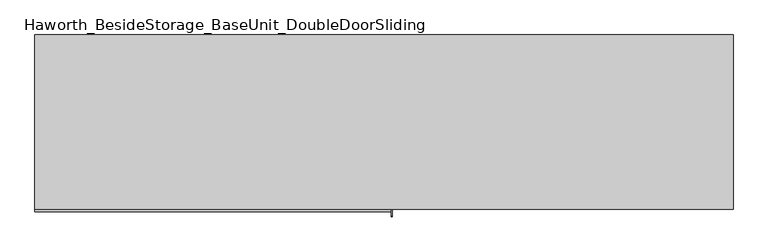
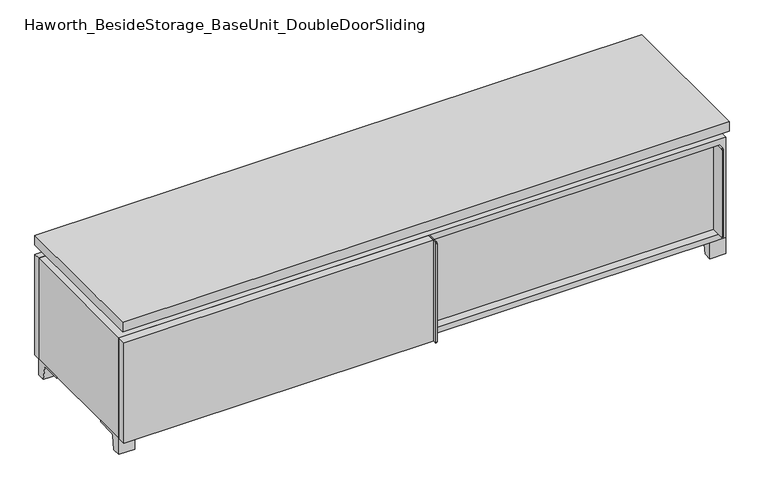
"""IFC4 building model written with IfcOpenShell, lengths in millimetres: furniture geometry, Haworth_BesideStorage_BaseUnit_DoubleDoorSliding."""

from ifc_helpers import new_model, si_unit, point, frame, frame_2d, origin, place, context, project, spatial, polyline, circle_curve, trimmed, segment, composite_curve, outline, extrude, faceted_brep, source, transform, mapped, element, save


def haworth_besidestorage_baseunit_doubledoorsliding_07438ba8(model_context):
    return source(origin(), model_context, "Body", "SolidModel", [
        extrude(outline(polyline([(9.5319453, 241.3), (895.3569453, 241.3), (895.3569453, -92.075), (9.5319453, -92.075), (9.5319453, 241.3)])), frame((0.0, 0.0, 201.6125), z_axis=(0.0, 0.0, 1.0), x_axis=(1.0, 0.0, 0.0)), (0.0, 0.0, 1.0), 19.05),
        extrude(outline(polyline([(-9.5041641, 241.3), (-9.5041641, -92.075), (-895.3291641, -92.075), (-895.3291641, 241.3), (-9.5041641, 241.3)])), frame((0.0, 0.0, 201.6125), z_axis=(0.0, 0.0, 1.0), x_axis=(1.0, 0.0, 0.0)), (0.0, 0.0, 1.0), 19.05),
        extrude(outline(composite_curve([segment(polyline([(47.6249864, 0.0), (22.225, 0.0), (22.225, 50.8), (117.475, 50.8), (117.475, 46.0213321), (60.6744655, 46.0213321)]), True, "CONTINUOUS"), segment(trimmed(circle_curve(frame_2d((60.6744655, 39.6713321)), 6.35), [point((60.6744655, 46.0213321))], [point((54.4108641, 40.7152656))], True, "CARTESIAN"), True, "CONTINUOUS"), segment(polyline([(54.4108641, 40.7152656), (47.6249864, 0.0)]), True, "CONTINUOUS")], self_intersect=False)), frame((-23.7986094, 0.0, 0.0), z_axis=(1.0, 0.0, 0.0), x_axis=(0.0, 1.0, 0.0)), (0.0, 0.0, 1.0), 47.625),
        extrude(outline(composite_curve([segment(polyline([(-95.25, 352.425), (-95.25, 69.85), (-161.925, 69.85)]), True, "CONTINUOUS"), segment(trimmed(circle_curve(frame_2d((-161.925, 73.025)), 3.175), [point((-161.925, 69.85))], [point((-165.1, 73.025))], False, "CARTESIAN"), True, "CONTINUOUS"), segment(polyline([(-165.1, 73.025), (-165.1, 349.25)]), True, "CONTINUOUS"), segment(trimmed(circle_curve(frame_2d((-161.925, 349.25)), 3.175), [point((-165.1, 349.25))], [point((-161.925, 352.425))], False, "CARTESIAN"), True, "CONTINUOUS"), segment(polyline([(-161.925, 352.425), (-95.25, 352.425)]), True, "CONTINUOUS")], self_intersect=False)), frame((892.1819453, 0.0, 0.0), z_axis=(1.0, 0.0, 0.0), x_axis=(0.0, 1.0, 0.0)), (0.0, 0.0, 1.0), 3.175),
        extrude(outline(polyline([(15.8819453, -95.25), (892.1819453, -95.25), (892.1819453, -120.65), (15.8819453, -120.65), (15.8819453, -95.25)])), frame((0.0, 0.0, 69.85), z_axis=(0.0, 0.0, 1.0), x_axis=(1.0, 0.0, 0.0)), (0.0, 0.0, 1.0), 282.575),
        extrude(outline(polyline([(914.4138906, 292.1), (914.4138906, -165.1), (-914.3861094, -165.1), (-914.3861094, 292.1), (914.4138906, 292.1)])), frame((0.0, 0.0, 401.6375), z_axis=(0.0, 0.0, 1.0), x_axis=(1.0, 0.0, 0.0)), (0.0, 0.0, 1.0), 30.1625),
        extrude(outline(composite_curve([segment(polyline([(-146.05, 371.475), (-146.05, 50.8), (-180.975, 50.8)]), True, "CONTINUOUS"), segment(trimmed(circle_curve(frame_2d((-180.975, 53.975)), 3.175), [point((-180.975, 50.8))], [point((-184.15, 53.975))], False, "CARTESIAN"), True, "CONTINUOUS"), segment(polyline([(-184.15, 53.975), (-184.15, 368.3)]), True, "CONTINUOUS"), segment(trimmed(circle_curve(frame_2d((-180.975, 368.3)), 3.175), [point((-184.15, 368.3))], [point((-180.975, 371.475))], False, "CARTESIAN"), True, "CONTINUOUS"), segment(polyline([(-180.975, 371.475), (-146.05, 371.475)]), True, "CONTINUOUS")], self_intersect=False)), frame((19.0638906, 0.0, 0.0), z_axis=(1.0, 0.0, 0.0), x_axis=(0.0, 1.0, 0.0)), (0.0, 0.0, 1.0), 3.175),
        extrude(outline(polyline([(-914.3861094, -146.05), (19.0638906, -146.05), (19.0638906, -171.45), (-914.3861094, -171.45), (-914.3861094, -146.05)])), frame((0.0, 0.0, 50.8), z_axis=(0.0, 0.0, 1.0), x_axis=(1.0, 0.0, 0.0)), (0.0, 0.0, 1.0), 320.675),
        extrude(outline(composite_curve([segment(polyline([(-120.6500136, 0.0), (-146.05, 0.0), (-146.05, 50.8), (-50.8, 50.8), (-50.8, 46.0213321), (-107.6005345, 46.0213321)]), True, "CONTINUOUS"), segment(trimmed(circle_curve(frame_2d((-107.6005345, 39.6713321)), 6.35), [point((-107.6005345, 46.0213321))], [point((-113.8641359, 40.7152656))], True, "CARTESIAN"), True, "CONTINUOUS"), segment(polyline([(-113.8641359, 40.7152656), (-120.6500136, 0.0)]), True, "CONTINUOUS")], self_intersect=False)), frame((866.7888906, 0.0, 0.0), z_axis=(1.0, 0.0, 0.0), x_axis=(0.0, 1.0, 0.0)), (0.0, 0.0, 1.0), 47.625),
        extrude(outline(composite_curve([segment(polyline([(247.6500136, 0.0), (240.8641359, 40.7152656)]), True, "CONTINUOUS"), segment(trimmed(circle_curve(frame_2d((234.6005345, 39.6713321)), 6.35), [point((240.8641359, 40.7152656))], [point((234.6005345, 46.0213321))], True, "CARTESIAN"), True, "CONTINUOUS"), segment(polyline([(234.6005345, 46.0213321), (177.8, 46.0213321), (177.8, 50.8), (273.05, 50.8), (273.05, 0.0), (247.6500136, 0.0)]), True, "CONTINUOUS")], self_intersect=False)), frame((866.7888906, 0.0, 0.0), z_axis=(1.0, 0.0, 0.0), x_axis=(0.0, 1.0, 0.0)), (0.0, 0.0, 1.0), 47.625),
        extrude(outline(composite_curve([segment(polyline([(-120.6500136, 0.0), (-146.05, 0.0), (-146.05, 50.8), (-50.8, 50.8), (-50.8, 46.0213321), (-107.6005345, 46.0213321)]), True, "CONTINUOUS"), segment(trimmed(circle_curve(frame_2d((-107.6005345, 39.6713321)), 6.35), [point((-107.6005345, 46.0213321))], [point((-113.8641359, 40.7152656))], True, "CARTESIAN"), True, "CONTINUOUS"), segment(polyline([(-113.8641359, 40.7152656), (-120.6500136, 0.0)]), True, "CONTINUOUS")], self_intersect=False)), frame((-914.3861094, 0.0, 0.0), z_axis=(1.0, 0.0, 0.0), x_axis=(0.0, 1.0, 0.0)), (0.0, 0.0, 1.0), 47.625),
        extrude(outline(composite_curve([segment(polyline([(247.6500136, 0.0), (240.8641359, 40.7152656)]), True, "CONTINUOUS"), segment(trimmed(circle_curve(frame_2d((234.6005345, 39.6713321)), 6.35), [point((240.8641359, 40.7152656))], [point((234.6005345, 46.0213321))], True, "CARTESIAN"), True, "CONTINUOUS"), segment(polyline([(234.6005345, 46.0213321), (177.8, 46.0213321), (177.8, 50.8), (273.05, 50.8), (273.05, 0.0), (247.6500136, 0.0)]), True, "CONTINUOUS")], self_intersect=False)), frame((-914.3861094, 0.0, 0.0), z_axis=(1.0, 0.0, 0.0), x_axis=(0.0, 1.0, 0.0)), (0.0, 0.0, 1.0), 47.625),
        faceted_brep([(7.9513906, -120.65, 401.6375), (7.9513906, -120.65, 371.475), (7.9513906, 53.975, 371.475), (7.9513906, 53.975, 401.6375), (7.9513906, 247.65, 371.475), (7.9513906, 247.65, 401.6375), (7.9513906, 73.025, 401.6375), (7.9513906, 73.025, 371.475), (-7.9236094, 247.65, 401.6375), (-7.9236094, 247.65, 371.475), (-7.9236094, 73.025, 371.475), (-7.9236094, 73.025, 401.6375), (-7.9236094, -120.65, 371.475), (-7.9236094, -120.65, 401.6375), (-7.9236094, 53.975, 401.6375), (-7.9236094, 53.975, 371.475), (-873.0833281, 73.025, 401.6375), (-873.1041641, 247.65, 401.6375), (-888.9791641, 247.65, 401.6375), (-888.9791641, -120.65, 401.6375), (-873.1041641, -120.65, 401.6375), (-873.1041641, 53.975, 401.6375), (873.1111094, 53.975, 401.6375), (873.1111094, -120.65, 401.6375), (888.9861094, -120.65, 401.6375), (888.9861094, 247.65, 401.6375), (873.1111094, 247.65, 401.6375), (873.1111094, 73.025, 401.6375), (-873.0833281, 53.975, 371.475), (-873.1041641, -120.65, 371.475), (-888.9791641, -120.65, 371.475), (-888.9791641, 247.65, 371.475), (-873.1041641, 247.65, 371.475), (-873.1041641, 73.025, 371.475), (873.1111094, 73.025, 371.475), (873.1111094, 247.65, 371.475), (888.9861094, 247.65, 371.475), (888.9861094, -120.65, 371.475), (873.1111094, -120.65, 371.475), (873.1111094, 53.975, 371.475)], [[[0, 1, 2, 3]], [[4, 5, 6, 7]], [[8, 9, 10, 11]], [[12, 13, 14, 15]], [[5, 8, 11, 16, 17, 18, 19, 20, 21, 14, 13, 0, 3, 22, 23, 24, 25, 26, 27, 6]], [[1, 12, 15, 28, 29, 30, 31, 32, 33, 10, 9, 4, 7, 34, 35, 36, 37, 38, 39, 2]], [[5, 4, 9, 8]], [[1, 0, 13, 12]], [[6, 27, 34, 7]], [[22, 3, 2, 39]], [[20, 29, 28, 21]], [[32, 17, 16, 33]], [[18, 31, 30, 19]], [[29, 20, 19, 30]], [[17, 32, 31, 18]], [[26, 35, 34, 27]], [[38, 23, 22, 39]], [[25, 24, 37, 36]], [[23, 38, 37, 24]], [[35, 26, 25, 36]], [[16, 11, 10, 33]], [[14, 21, 28, 15]]]),
        extrude(outline(polyline([(9.5388906, 241.3), (9.5388906, -95.25), (-9.5111094, -95.25), (-9.5111094, 241.3), (9.5388906, 241.3)])), frame((0.0, 0.0, 69.85), z_axis=(0.0, 0.0, 1.0), x_axis=(1.0, 0.0, 0.0)), (0.0, 0.0, 1.0), 282.575),
        extrude(outline(polyline([(15.8888906, -88.9), (15.8888906, -146.05), (-9.5111094, -146.05), (-9.5111094, -120.65), (3.1888906, -120.65), (3.1888906, -88.9), (15.8888906, -88.9)])), frame((0.0, 0.0, 69.85), z_axis=(0.0, 0.0, 1.0), x_axis=(1.0, 0.0, 0.0)), (0.0, 0.0, 1.0), 282.575),
        extrude(outline(polyline([(914.4138906, 273.05), (-914.3861094, 273.05), (-914.3861094, 292.1), (914.4138906, 292.1), (914.4138906, 273.05)])), frame((0.0, 0.0, 50.8), z_axis=(0.0, 0.0, 1.0), x_axis=(1.0, 0.0, 0.0)), (0.0, 0.0, 1.0), 320.675),
        extrude(outline(polyline([(50.8, -914.3861094), (50.8, 914.4), (371.475, 914.4), (371.475, -914.3861094), (50.8, -914.3861094)]), holes=[polyline([(69.85, -895.3361094), (352.425, -895.3361094), (352.425, 895.3361094), (69.85, 895.3361094), (69.85, -895.3361094)])]), frame((0.0, -146.05, 0.0), z_axis=(0.0, 1.0, 0.0), x_axis=(0.0, 0.0, 1.0)), (0.0, 0.0, 1.0), 419.1),
        extrude(outline(polyline([(-895.3291641, 241.3), (-895.3291641, 247.65), (895.3569453, 247.65), (895.3569453, 241.3), (-895.3291641, 241.3)])), frame((0.0, 0.0, 69.85), z_axis=(0.0, 0.0, 1.0), x_axis=(1.0, 0.0, 0.0)), (0.0, 0.0, 1.0), 282.575),
    ])


if __name__ == "__main__":
    model = new_model("IFC4")
    model_context = context("Model", 3, world=origin())
    ifc_project = project(units=[si_unit("LENGTHUNIT", "METRE", prefix="MILLI")], contexts=[model_context])
    site = spatial("IfcSite", under=ifc_project)
    building = spatial("IfcBuilding", under=site)
    placement = place(None, origin())
    haworth_besidestorage_baseunit_doubledoorsliding_shape = haworth_besidestorage_baseunit_doubledoorsliding_07438ba8(model_context)
    element("IfcFurniture", 1, ObjectType="Haworth_BesideStorage_BaseUnit_DoubleDoorSliding", at=placement, inside=building, context=model_context, shape_type="MappedRepresentation", body=[
        mapped(haworth_besidestorage_baseunit_doubledoorsliding_shape, transform((0.0, 0.0, 0.0), x_axis=(1.0, 0.0, 0.0), y_axis=(0.0, 1.0, 0.0), z_axis=(0.0, 0.0, 1.0))),
    ])
    save(model, "model.ifc")
